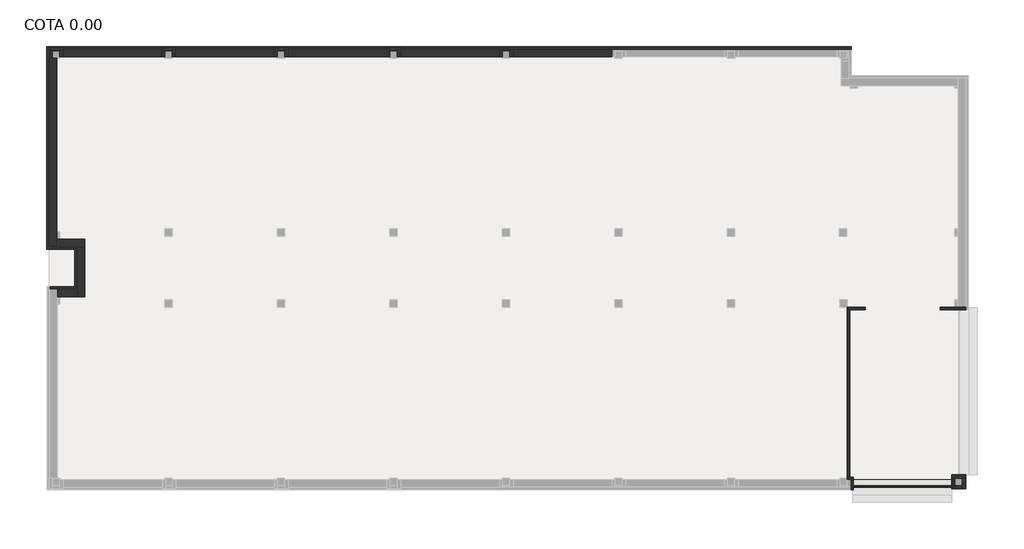
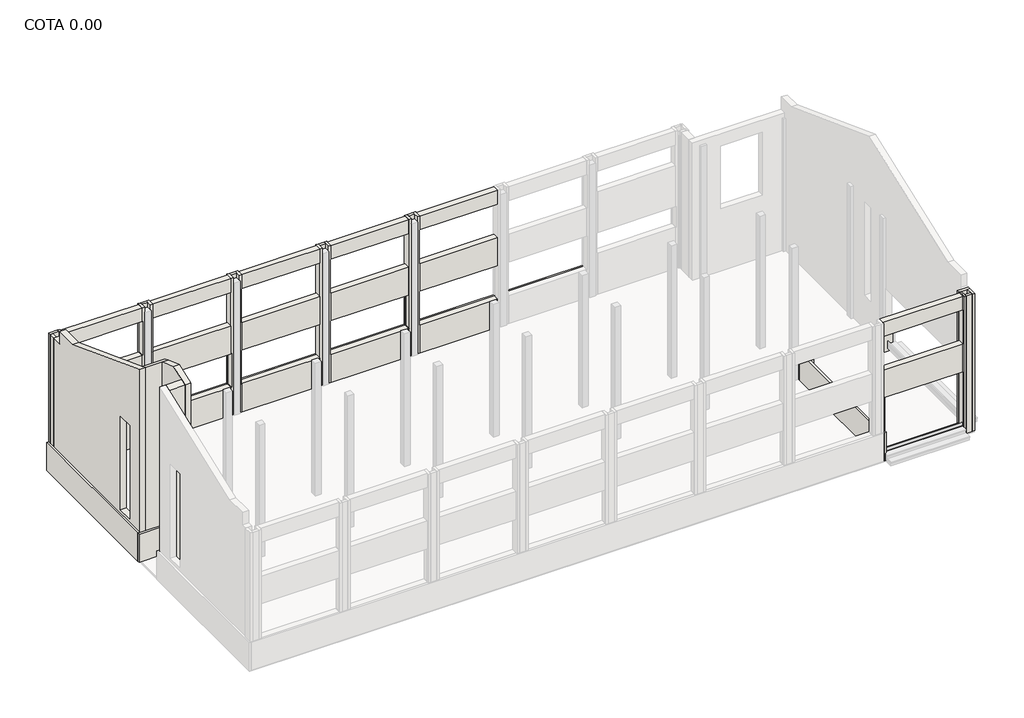
# One storey, part 2 of 3: 40 walls.
"""IFC4 building model written with IfcOpenShell, lengths in millimetres."""

from ifc_helpers import new_model, si_unit, frame, origin, origin_with_axes, place, context, project, spatial, polyline, outline, extrude, faceted_brep, element, save

model = new_model("IFC4")

# Units and contexts
model_context = context("Model", 3, world=origin())
ifc_project = project(units=[si_unit("LENGTHUNIT", "METRE", prefix="MILLI")], contexts=[model_context])

# Site, building, storey
site = spatial("IfcSite", under=ifc_project)
building = spatial("IfcBuilding", under=site)
storey = spatial("IfcBuildingStorey", under=building, Name="COTA 0.00", Elevation=0.0)

# Walls
placement = place(None, origin())
element("IfcWall", 1, at=placement, inside=storey, context=model_context, shape_type="Brep", body=[
    faceted_brep([(-20786.9563501, 1357.3124799, 0.0), (-19686.9563501, 1357.3124799, 0.0), (-19686.9563501, 1357.3124799, 1514.4), (-20786.9563501, 1357.3124799, 1514.4), (-20786.9563501, 1457.3124799, 0.0), (-20786.9563501, 1457.3124799, 1514.4), (-19786.9563501, 1457.3124799, 1514.4), (-19686.9563501, 1457.3124799, 1514.4), (-19686.9563501, 1457.3124799, 0.0), (-19786.9563501, 1457.3124799, 0.0)], [[[0, 1, 2, 3]], [[4, 5, 6, 7, 8, 9]], [[1, 0, 4, 9, 8]], [[3, 2, 7, 6, 5]], [[0, 3, 5, 4]], [[2, 1, 8, 7]]]),
])
element("IfcWall", 2, at=placement, inside=storey, context=model_context, shape_type="Brep", body=[
    faceted_brep([(-19686.9563501, 1457.3124799, 0.0), (-19686.9563501, 3057.3124799, 0.0), (-19686.9563501, 3057.3124799, 1514.4), (-19686.9563501, 1457.3124799, 1514.4), (-19786.9563501, 1457.3124799, 0.0), (-19786.9563501, 1457.3124799, 1514.4), (-19786.9563501, 2957.3124799, 1514.4), (-19786.9563501, 3057.3124799, 1514.4), (-19786.9563501, 3057.3124799, 0.0), (-19786.9563501, 2957.3124799, 0.0)], [[[0, 1, 2, 3]], [[4, 5, 6, 7, 8, 9]], [[1, 0, 4, 9, 8]], [[3, 2, 7, 6, 5]], [[0, 3, 5, 4]], [[2, 1, 8, 7]]]),
])
element("IfcWall", 3, at=placement, inside=storey, context=model_context, shape_type="Brep", body=[
    faceted_brep([(-19786.9563501, 3057.3124799, 0.0), (-20816.9563501, 3057.3124799, 0.0), (-20916.9563501, 3057.3124799, 0.0), (-20916.9563501, 3057.3124799, 1514.4), (-20816.9563501, 3057.3124799, 1514.4), (-19786.9563501, 3057.3124799, 1514.4), (-19786.9563501, 2957.3124799, 0.0), (-19786.9563501, 2957.3124799, 1514.4), (-20916.9563501, 2957.3124799, 1514.4), (-20916.9563501, 2957.3124799, 0.0)], [[[0, 1, 2, 3, 4, 5]], [[6, 7, 8, 9]], [[2, 1, 0, 6, 9]], [[5, 4, 3, 8, 7]], [[0, 5, 7, 6]], [[3, 2, 9, 8]]]),
])
element("IfcWall", 4, at=placement, inside=storey, context=model_context, shape_type="Brep", body=[
    faceted_brep([(-20816.9563501, 3057.3124799, 0.0), (-20816.9563501, 10967.3124799, 0.0), (-20816.9563501, 11067.3124799, 0.0), (-20816.9563501, 11067.3124799, 1514.4), (-20816.9563501, 10967.3124799, 1514.4), (-20816.9563501, 3057.3124799, 1514.4), (-20916.9563501, 3057.3124799, 0.0), (-20916.9563501, 3057.3124799, 1514.4), (-20916.9563501, 11067.3124799, 1514.4), (-20916.9563501, 11067.3124799, 0.0)], [[[0, 1, 2, 3, 4, 5]], [[6, 7, 8, 9]], [[2, 1, 0, 6, 9]], [[5, 4, 3, 8, 7]], [[0, 5, 7, 6]], [[3, 2, 9, 8]]]),
])
element("IfcWall", 5, at=placement, inside=storey, context=model_context, shape_type="Brep", body=[
    faceted_brep([(-20816.9563501, 10967.3124799, 0.0), (11173.0436499, 10967.3124799, 0.0), (11273.0436499, 10967.3124799, 0.0), (11273.0436499, 10967.3124799, 1514.4), (11173.0436499, 10967.3124799, 1514.4), (-20816.9563501, 10967.3124799, 1514.4), (-20816.9563501, 11067.3124799, 0.0), (-20816.9563501, 11067.3124799, 1514.4), (11273.0436499, 11067.3124799, 1514.4), (11273.0436499, 11067.3124799, 0.0)], [[[0, 1, 2, 3, 4, 5]], [[6, 7, 8, 9]], [[2, 1, 0, 6, 9]], [[5, 4, 3, 8, 7]], [[0, 5, 7, 6]], [[3, 2, 9, 8]]]),
])
element("IfcWall", 6, at=placement, inside=storey, context=model_context, shape_type="Brep", body=[
    faceted_brep([(15843.0436499, 631.0609981, 0.0), (15543.0436499, 631.0609981, 0.0), (14833.0436499, 631.0609981, 0.0), (14833.0436499, 631.0609981, 1514.4), (15843.0436499, 631.0609981, 1514.4), (15843.0436499, 531.0609981, 0.0), (15843.0436499, 531.0609981, 1514.4), (14833.0436499, 531.0609981, 1514.4), (14833.0436499, 531.0609981, 0.0)], [[[0, 1, 2, 3, 4]], [[5, 6, 7, 8]], [[2, 1, 0, 5, 8]], [[3, 2, 8, 7]], [[4, 3, 7, 6]], [[0, 4, 6, 5]]]),
])
element("IfcWall", 7, at=placement, inside=storey, context=model_context, shape_type="Brep", body=[
    faceted_brep([(11823.0436499, 631.0609981, 0.0), (11113.0436499, 631.0609981, 0.0), (11113.0436499, 631.0609981, 1514.4), (11823.0436499, 631.0609981, 1514.4), (11823.0436499, 531.0609981, 0.0), (11823.0436499, 531.0609981, 1514.4), (11213.0436499, 531.0609981, 1514.4), (11113.0436499, 531.0609981, 1514.4), (11113.0436499, 531.0609981, 0.0), (11213.0436499, 531.0609981, 0.0)], [[[0, 1, 2, 3]], [[4, 5, 6, 7, 8, 9]], [[1, 0, 4, 9, 8]], [[3, 2, 7, 6, 5]], [[0, 3, 5, 4]], [[2, 1, 8, 7]]]),
])
element("IfcWall", 8, at=placement, inside=storey, context=model_context, shape_type="SweptSolid", body=[
    extrude(outline(polyline([(11113.0436499, -6152.6875201), (11113.0436499, 531.0609981), (11213.0436499, 531.0609981), (11213.0436499, -6152.6875201), (11113.0436499, -6152.6875201)])), origin_with_axes(), (0.0, 0.0, 1.0), 1514.4),
])
element("IfcWall", 9, at=placement, inside=storey, context=model_context, shape_type="Brep", body=[
    faceted_brep([(11113.0436499, -6252.6875201, 0.0), (11248.0436499, -6252.6875201, 0.0), (11348.0436499, -6252.6875201, 0.0), (11348.0436499, -6252.6875201, 1514.4), (11248.0436499, -6252.6875201, 1514.4), (11113.0436499, -6252.6875201, 1514.4), (11113.0436499, -6152.6875201, 0.0), (11113.0436499, -6152.6875201, 1514.4), (11213.0436499, -6152.6875201, 1514.4), (11348.0436499, -6152.6875201, 1514.4), (11348.0436499, -6152.6875201, 0.0), (11213.0436499, -6152.6875201, 0.0)], [[[0, 1, 2, 3, 4, 5]], [[6, 7, 8, 9, 10, 11]], [[2, 1, 0, 6, 11, 10]], [[5, 4, 3, 9, 8, 7]], [[0, 5, 7, 6]], [[3, 2, 10, 9]]]),
])
element("IfcWall", 10, at=placement, inside=storey, context=model_context, shape_type="Brep", body=[
    faceted_brep([(11248.0436499, -6252.6875201, 0.0), (11248.0436499, -6552.6875201, 0.0), (11248.0436499, -6652.6875201, 0.0), (11248.0436499, -6652.6875201, 1514.4), (11248.0436499, -6552.6875201, 1514.4), (11248.0436499, -6252.6875201, 1514.4), (11248.0436499, -6252.6875201, 400.0), (11348.0436499, -6252.6875201, 0.0), (11348.0436499, -6252.6875201, 1514.4), (11348.0436499, -6552.6875201, 1514.4), (11348.0436499, -6652.6875201, 1514.4), (11348.0436499, -6652.6875201, 0.0)], [[[0, 1, 2, 3, 4, 5, 6]], [[7, 8, 9, 10, 11]], [[2, 1, 0, 7, 11]], [[5, 4, 3, 10, 9, 8]], [[0, 6, 5, 8, 7]], [[3, 2, 11, 10]]]),
])
element("IfcWall", 11, ObjectType="MEX_13 cm", at=placement, inside=storey, context=model_context, shape_type="SweptSolid", body=[
    extrude(outline(polyline([(-20686.9563501, 10907.3124799), (-20686.9563501, 10607.3124799), (-20816.9563501, 10607.3124799), (-20816.9563501, 10907.3124799), (-20686.9563501, 10907.3124799)])), origin_with_axes(), (0.0, 0.0, 1.0), 7350.0),
])
element("IfcWall", 12, ObjectType="MEX_13 cm", at=placement, inside=storey, context=model_context, shape_type="Brep", body=[
    faceted_brep([(-20816.9563501, 10907.3124799, 0.0), (-20686.9563501, 10907.3124799, 0.0), (-20386.9563501, 10907.3124799, 0.0), (-20386.9563501, 10907.3124799, 7350.0), (-20686.9563501, 10907.3124799, 7350.0), (-20816.9563501, 10907.3124799, 7350.0), (-20816.9563501, 11037.3124799, 0.0), (-20816.9563501, 11037.3124799, 7350.0), (-20386.9563501, 11037.3124799, 7350.0), (-20386.9563501, 11037.3124799, 0.0)], [[[0, 1, 2, 3, 4, 5]], [[6, 7, 8, 9]], [[2, 1, 0, 6, 9]], [[5, 4, 3, 8, 7]], [[0, 5, 7, 6]], [[2, 9, 8, 3]]]),
])
element("IfcWall", 13, ObjectType="MEX_13 cm", at=placement, inside=storey, context=model_context, shape_type="Brep", body=[
    faceted_brep([(-11686.9563501, 10667.3124799, 0.0), (-11686.9563501, 10907.3124799, 0.0), (-11686.9563501, 11037.3124799, 0.0), (-11686.9563501, 11037.3124799, 7350.0), (-11686.9563501, 10907.3124799, 7350.0), (-11686.9563501, 10667.3124799, 7350.0), (-11816.9563501, 11037.3124799, 0.0), (-11816.9563501, 10967.3124799, 0.0), (-11816.9563501, 10667.3124799, 0.0), (-11816.9563501, 10667.3124799, 1514.4), (-11816.9563501, 10967.3124799, 1514.4), (-11816.9563501, 10967.3124799, 3304.4), (-11816.9563501, 10967.3124799, 3314.4), (-11816.9563501, 10667.3124799, 3314.4), (-11816.9563501, 10667.3124799, 4804.4), (-11816.9563501, 10667.3124799, 6604.4), (-11816.9563501, 10667.3124799, 7350.0), (-11816.9563501, 10967.3124799, 7350.0), (-11816.9563501, 11037.3124799, 7350.0), (-11781.9563501, 10667.3124799, 3314.4), (-11781.9563501, 10667.3124799, 1514.4), (-11781.9563501, 10967.3124799, 1514.4), (-11781.9563501, 10967.3124799, 3314.4)], [[[0, 1, 2, 3, 4, 5]], [[6, 7, 8, 9, 10, 11, 12, 13, 14, 15, 16, 17, 18]], [[2, 1, 0, 8, 7, 6]], [[5, 4, 3, 18, 17, 16]], [[0, 5, 16, 15, 14, 13, 19, 20, 9, 8]], [[21, 22, 12, 11, 10]], [[22, 19, 13, 12]], [[22, 21, 20, 19]], [[20, 21, 10, 9]], [[2, 6, 18, 3]]]),
])
element("IfcWall", 14, ObjectType="MEX_13 cm", at=placement, inside=storey, context=model_context, shape_type="SweptSolid", body=[
    extrude(outline(polyline([(-11386.9563501, 10907.3124799), (-11686.9563501, 10907.3124799), (-11686.9563501, 11037.3124799), (-11386.9563501, 11037.3124799), (-11386.9563501, 10907.3124799)])), origin_with_axes(), (0.0, 0.0, 1.0), 7350.0),
])
element("IfcWall", 15, ObjectType="MEX_13 cm", at=placement, inside=storey, context=model_context, shape_type="Brep", body=[
    faceted_brep([(-11386.9563501, 11037.3124799, 0.0), (-11386.9563501, 10907.3124799, 0.0), (-11386.9563501, 10667.3124799, 0.0), (-11386.9563501, 10667.3124799, 7350.0), (-11386.9563501, 10907.3124799, 7350.0), (-11386.9563501, 11037.3124799, 7350.0), (-11256.9563501, 10667.3124799, 0.0), (-11256.9563501, 10967.3124799, 0.0), (-11256.9563501, 11037.3124799, 0.0), (-11256.9563501, 11037.3124799, 7350.0), (-11256.9563501, 10967.3124799, 7350.0), (-11256.9563501, 10667.3124799, 7350.0), (-11256.9563501, 10667.3124799, 6604.4), (-11256.9563501, 10967.3124799, 6604.4), (-11256.9563501, 10967.3124799, 4804.4), (-11256.9563501, 10667.3124799, 4804.4), (-11256.9563501, 10667.3124799, 3314.4), (-11256.9563501, 10967.3124799, 3314.4), (-11256.9563501, 10967.3124799, 3304.4), (-11256.9563501, 10967.3124799, 1514.4), (-11256.9563501, 10667.3124799, 1514.4), (-11281.9563501, 10667.3124799, 1514.4), (-11281.9563501, 10667.3124799, 3314.4), (-11281.9563501, 10667.3124799, 4804.4), (-11281.9563501, 10667.3124799, 6604.4), (-11281.9563501, 10967.3124799, 3314.4), (-11281.9563501, 10967.3124799, 1514.4), (-11281.9563501, 10967.3124799, 6604.4), (-11281.9563501, 10967.3124799, 4804.4)], [[[0, 1, 2, 3, 4, 5]], [[6, 7, 8, 9, 10, 11, 12, 13, 14, 15, 16, 17, 18, 19, 20]], [[2, 1, 0, 8, 7, 6]], [[5, 4, 3, 11, 10, 9]], [[3, 2, 6, 20, 21, 22, 16, 15, 23, 24, 12, 11]], [[25, 26, 19, 18, 17]], [[26, 25, 22, 21]], [[22, 25, 17, 16]], [[26, 21, 20, 19]], [[27, 28, 14, 13]], [[28, 27, 24, 23]], [[24, 27, 13, 12]], [[28, 23, 15, 14]], [[5, 9, 8, 0]]]),
])
element("IfcWall", 16, ObjectType="MEX_13 cm", at=placement, inside=storey, context=model_context, shape_type="Brep", body=[
    faceted_brep([(-7186.9563501, 10667.3124799, 0.0), (-7186.9563501, 10907.3124799, 0.0), (-7186.9563501, 11037.3124799, 0.0), (-7186.9563501, 11037.3124799, 7350.0), (-7186.9563501, 10907.3124799, 7350.0), (-7186.9563501, 10667.3124799, 7350.0), (-7316.9563501, 10667.3124799, 0.0), (-7316.9563501, 10667.3124799, 1514.4), (-7316.9563501, 10667.3124799, 3314.4), (-7316.9563501, 10667.3124799, 4804.4), (-7316.9563501, 10667.3124799, 6604.4), (-7316.9563501, 10667.3124799, 7350.0), (-7316.9563501, 10967.3124799, 7350.0), (-7316.9563501, 11037.3124799, 7350.0), (-7316.9563501, 11037.3124799, 0.0), (-7316.9563501, 10967.3124799, 0.0)], [[[0, 1, 2, 3, 4, 5]], [[6, 7, 8, 9, 10, 11, 12, 13, 14, 15]], [[2, 1, 0, 6, 15, 14]], [[5, 4, 3, 13, 12, 11]], [[0, 5, 11, 10, 9, 8, 7, 6]], [[2, 14, 13, 3]]]),
])
element("IfcWall", 17, ObjectType="MEX_13 cm", at=placement, inside=storey, context=model_context, shape_type="SweptSolid", body=[
    extrude(outline(polyline([(-6886.9563501, 10907.3124799), (-7186.9563501, 10907.3124799), (-7186.9563501, 11037.3124799), (-6886.9563501, 11037.3124799), (-6886.9563501, 10907.3124799)])), origin_with_axes(), (0.0, 0.0, 1.0), 7350.0),
])
element("IfcWall", 18, ObjectType="MEX_13 cm", at=placement, inside=storey, context=model_context, shape_type="Brep", body=[
    faceted_brep([(-6886.9563501, 11037.3124799, 0.0), (-6886.9563501, 10907.3124799, 0.0), (-6886.9563501, 10667.3124799, 0.0), (-6886.9563501, 10667.3124799, 7350.0), (-6886.9563501, 10907.3124799, 7350.0), (-6886.9563501, 11037.3124799, 7350.0), (-6756.9563501, 10667.3124799, 0.0), (-6756.9563501, 10967.3124799, 0.0), (-6756.9563501, 11037.3124799, 0.0), (-6756.9563501, 11037.3124799, 7350.0), (-6756.9563501, 10967.3124799, 7350.0), (-6756.9563501, 10667.3124799, 7350.0), (-6756.9563501, 10667.3124799, 6604.4), (-6756.9563501, 10967.3124799, 6604.4), (-6756.9563501, 10967.3124799, 4804.4), (-6756.9563501, 10667.3124799, 4804.4), (-6756.9563501, 10667.3124799, 3314.4), (-6756.9563501, 10967.3124799, 3314.4), (-6756.9563501, 10967.3124799, 3304.4), (-6756.9563501, 10967.3124799, 1514.4), (-6756.9563501, 10667.3124799, 1514.4), (-6786.9563501, 10667.3124799, 1514.4), (-6786.9563501, 10667.3124799, 3314.4), (-6786.9563501, 10667.3124799, 4804.4), (-6786.9563501, 10667.3124799, 6604.4), (-6786.9563501, 10967.3124799, 3314.4), (-6786.9563501, 10967.3124799, 1514.4), (-6786.9563501, 10967.3124799, 6604.4), (-6786.9563501, 10967.3124799, 4804.4)], [[[0, 1, 2, 3, 4, 5]], [[6, 7, 8, 9, 10, 11, 12, 13, 14, 15, 16, 17, 18, 19, 20]], [[2, 1, 0, 8, 7, 6]], [[5, 4, 3, 11, 10, 9]], [[3, 2, 6, 20, 21, 22, 16, 15, 23, 24, 12, 11]], [[25, 26, 19, 18, 17]], [[26, 25, 22, 21]], [[22, 25, 17, 16]], [[26, 21, 20, 19]], [[27, 28, 14, 13]], [[28, 27, 24, 23]], [[24, 27, 13, 12]], [[28, 23, 15, 14]], [[5, 9, 8, 0]]]),
])
element("IfcWall", 19, ObjectType="MEX_13 cm", at=placement, inside=storey, context=model_context, shape_type="Brep", body=[
    faceted_brep([(-2686.9563501, 10667.3124799, 0.0), (-2686.9563501, 10907.3124799, 0.0), (-2686.9563501, 11037.3124799, 0.0), (-2686.9563501, 11037.3124799, 7350.0), (-2686.9563501, 10907.3124799, 7350.0), (-2686.9563501, 10667.3124799, 7350.0), (-2816.9563501, 11037.3124799, 0.0), (-2816.9563501, 10967.3124799, 0.0), (-2816.9563501, 10667.3124799, 0.0), (-2816.9563501, 10667.3124799, 1514.4), (-2816.9563501, 10967.3124799, 1514.4), (-2816.9563501, 10967.3124799, 3304.4), (-2816.9563501, 10967.3124799, 3314.4), (-2816.9563501, 10667.3124799, 3314.4), (-2816.9563501, 10667.3124799, 4804.4), (-2816.9563501, 10667.3124799, 6604.4), (-2816.9563501, 10667.3124799, 7350.0), (-2816.9563501, 10967.3124799, 7350.0), (-2816.9563501, 11037.3124799, 7350.0), (-2786.9563501, 10667.3124799, 3314.4), (-2786.9563501, 10667.3124799, 1514.4), (-2786.9563501, 10967.3124799, 1514.4), (-2786.9563501, 10967.3124799, 3314.4)], [[[0, 1, 2, 3, 4, 5]], [[6, 7, 8, 9, 10, 11, 12, 13, 14, 15, 16, 17, 18]], [[2, 1, 0, 8, 7, 6]], [[5, 4, 3, 18, 17, 16]], [[0, 5, 16, 15, 14, 13, 19, 20, 9, 8]], [[21, 22, 12, 11, 10]], [[22, 19, 13, 12]], [[22, 21, 20, 19]], [[20, 21, 10, 9]], [[2, 6, 18, 3]]]),
])
element("IfcWall", 20, ObjectType="MEX_13 cm", at=placement, inside=storey, context=model_context, shape_type="SweptSolid", body=[
    extrude(outline(polyline([(-2386.9563501, 10907.3124799), (-2686.9563501, 10907.3124799), (-2686.9563501, 11037.3124799), (-2386.9563501, 11037.3124799), (-2386.9563501, 10907.3124799)])), origin_with_axes(), (0.0, 0.0, 1.0), 7350.0),
])
element("IfcWall", 21, ObjectType="MEX_13 cm", at=placement, inside=storey, context=model_context, shape_type="Brep", body=[
    faceted_brep([(-2386.9563501, 11037.3124799, 0.0), (-2386.9563501, 10907.3124799, 0.0), (-2386.9563501, 10667.3124799, 0.0), (-2386.9563501, 10667.3124799, 7350.0), (-2386.9563501, 10907.3124799, 7350.0), (-2386.9563501, 11037.3124799, 7350.0), (-2256.9563501, 10667.3124799, 0.0), (-2256.9563501, 10967.3124799, 0.0), (-2256.9563501, 11037.3124799, 0.0), (-2256.9563501, 11037.3124799, 7350.0), (-2256.9563501, 10967.3124799, 7350.0), (-2256.9563501, 10667.3124799, 7350.0), (-2256.9563501, 10667.3124799, 6604.4), (-2256.9563501, 10967.3124799, 6604.4), (-2256.9563501, 10967.3124799, 4804.4), (-2256.9563501, 10667.3124799, 4804.4), (-2256.9563501, 10667.3124799, 3314.4), (-2256.9563501, 10967.3124799, 3314.4), (-2256.9563501, 10967.3124799, 3304.4), (-2256.9563501, 10967.3124799, 1514.4), (-2256.9563501, 10667.3124799, 1514.4), (-2286.9563501, 10667.3124799, 1514.4), (-2286.9563501, 10667.3124799, 3314.4), (-2286.9563501, 10667.3124799, 4804.4), (-2286.9563501, 10667.3124799, 6604.4), (-2286.9563501, 10967.3124799, 3314.4), (-2286.9563501, 10967.3124799, 1514.4), (-2286.9563501, 10967.3124799, 6604.4), (-2286.9563501, 10967.3124799, 4804.4)], [[[0, 1, 2, 3, 4, 5]], [[6, 7, 8, 9, 10, 11, 12, 13, 14, 15, 16, 17, 18, 19, 20]], [[2, 1, 0, 8, 7, 6]], [[5, 4, 3, 11, 10, 9]], [[3, 2, 6, 20, 21, 22, 16, 15, 23, 24, 12, 11]], [[25, 26, 19, 18, 17]], [[22, 25, 17, 16]], [[26, 25, 22, 21]], [[26, 21, 20, 19]], [[27, 28, 14, 13]], [[28, 27, 24, 23]], [[24, 27, 13, 12]], [[28, 23, 15, 14]], [[5, 9, 8, 0]]]),
])
element("IfcWall", 22, ObjectType="MEX_13 cm", at=placement, inside=storey, context=model_context, shape_type="Brep", body=[
    faceted_brep([(15283.0436499, -6192.6875201, 0.0), (15283.0436499, -6622.6875201, 0.0), (15283.0436499, -6622.6875201, 7350.0), (15283.0436499, -6192.6875201, 7350.0), (15413.0436499, -6192.6875201, 0.0), (15413.0436499, -6192.6875201, 7350.0), (15413.0436499, -6492.6875201, 7350.0), (15413.0436499, -6622.6875201, 7350.0), (15413.0436499, -6622.6875201, 0.0), (15413.0436499, -6492.6875201, 0.0)], [[[0, 1, 2, 3]], [[4, 5, 6, 7, 8, 9]], [[1, 0, 4, 9, 8]], [[3, 2, 7, 6, 5]], [[2, 1, 8, 7]], [[0, 3, 5, 4]]]),
])
element("IfcWall", 23, ObjectType="MEX_13 cm", at=placement, inside=storey, context=model_context, shape_type="SweptSolid", body=[
    extrude(outline(polyline([(15713.0436499, -6622.6875201), (15413.0436499, -6622.6875201), (15413.0436499, -6492.6875201), (15713.0436499, -6492.6875201), (15713.0436499, -6622.6875201)])), origin_with_axes(), (0.0, 0.0, 1.0), 7350.0),
])
element("IfcWall", 24, ObjectType="MEX_13 cm", at=placement, inside=storey, context=model_context, shape_type="Brep", body=[
    faceted_brep([(15843.0436499, -6622.6875201, 0.0), (15843.0436499, -6192.6875201, 0.0), (15843.0436499, -6192.6875201, 7350.0), (15843.0436499, -6622.6875201, 7350.0), (15713.0436499, -6622.6875201, 0.0), (15713.0436499, -6622.6875201, 7350.0), (15713.0436499, -6492.6875201, 7350.0), (15713.0436499, -6192.6875201, 7350.0), (15713.0436499, -6192.6875201, 0.0), (15713.0436499, -6492.6875201, 0.0)], [[[0, 1, 2, 3]], [[4, 5, 6, 7, 8, 9]], [[1, 0, 4, 9, 8]], [[3, 2, 7, 6, 5]], [[0, 3, 5, 4]], [[2, 1, 8, 7]]]),
])
element("IfcWall", 25, ObjectType="MEX_13 cm", at=placement, inside=storey, context=model_context, shape_type="Brep", body=[
    faceted_brep([(15843.0436499, -6062.6875201, 0.0), (15543.0436499, -6062.6875201, 0.0), (15283.0436499, -6062.6875201, 0.0), (15283.0436499, -6062.6875201, 7350.0), (15543.0436499, -6062.6875201, 7350.0), (15843.0436499, -6062.6875201, 7350.0), (15843.0436499, -6192.6875201, 0.0), (15843.0436499, -6192.6875201, 7350.0), (15713.0436499, -6192.6875201, 7350.0), (15413.0436499, -6192.6875201, 7350.0), (15283.0436499, -6192.6875201, 7350.0), (15283.0436499, -6192.6875201, 0.0), (15413.0436499, -6192.6875201, 0.0), (15713.0436499, -6192.6875201, 0.0)], [[[0, 1, 2, 3, 4, 5]], [[6, 7, 8, 9, 10, 11, 12, 13]], [[2, 1, 0, 6, 13, 12, 11]], [[5, 4, 3, 10, 9, 8, 7]], [[0, 5, 7, 6]], [[3, 2, 11, 10]]]),
])
element("IfcWall", 26, ObjectType="MEX_13 cm", at=placement, inside=storey, context=model_context, shape_type="Brep", body=[
    faceted_brep([(-20386.9563501, 11037.3124799, 7350.0), (-20386.9563501, 11037.3124799, 0.0), (-20386.9563501, 10907.3124799, 0.0), (-20386.9563501, 10667.3124799, 0.0), (-20386.9563501, 10667.3124799, 7350.0), (-20386.9563501, 10907.3124799, 7350.0), (-20256.9563501, 11037.3124799, 0.0), (-20256.9563501, 11037.3124799, 7350.0), (-20256.9563501, 10967.3124799, 7350.0), (-20256.9563501, 10667.3124799, 7350.0), (-20256.9563501, 10667.3124799, 6604.4), (-20256.9563501, 10667.3124799, 4804.4), (-20256.9563501, 10667.3124799, 3314.4), (-20256.9563501, 10667.3124799, 1514.4), (-20256.9563501, 10667.3124799, 0.0), (-20256.9563501, 10967.3124799, 0.0)], [[[0, 1, 2, 3, 4, 5]], [[6, 7, 8, 9, 10, 11, 12, 13, 14, 15]], [[3, 2, 1, 6, 15, 14]], [[0, 5, 4, 9, 8, 7]], [[4, 3, 14, 13, 12, 11, 10, 9]], [[0, 7, 6, 1]]]),
])
element("IfcWall", 27, ObjectType="MEX_13 cm", at=placement, inside=storey, context=model_context, shape_type="SweptSolid", body=[
    extrude(outline(polyline([(-15891.9563501, 10907.3124799), (-16186.9563501, 10907.3124799), (-16186.9563501, 11037.3124799), (-15891.9563501, 11037.3124799), (-15891.9563501, 10907.3124799)])), origin_with_axes(), (0.0, 0.0, 1.0), 7350.0),
])
element("IfcWall", 28, ObjectType="MEX_13 cm", at=placement, inside=storey, context=model_context, shape_type="Brep", body=[
    faceted_brep([(-15891.9563501, 11037.3124799, 0.0), (-15891.9563501, 10907.3124799, 0.0), (-15891.9563501, 10667.3124799, 0.0), (-15891.9563501, 10667.3124799, 7350.0), (-15891.9563501, 10907.3124799, 7350.0), (-15891.9563501, 11037.3124799, 7350.0), (-15761.9563501, 10667.3124799, 0.0), (-15761.9563501, 10967.3124799, 0.0), (-15761.9563501, 11037.3124799, 0.0), (-15761.9563501, 11037.3124799, 7350.0), (-15761.9563501, 10967.3124799, 7350.0), (-15761.9563501, 10667.3124799, 7350.0), (-15761.9563501, 10667.3124799, 6604.4), (-15761.9563501, 10967.3124799, 6604.4), (-15761.9563501, 10967.3124799, 4804.4), (-15761.9563501, 10667.3124799, 4804.4), (-15761.9563501, 10667.3124799, 3314.4), (-15761.9563501, 10967.3124799, 3314.4), (-15761.9563501, 10967.3124799, 3304.4), (-15761.9563501, 10967.3124799, 1514.4), (-15761.9563501, 10667.3124799, 1514.4), (-15781.9563501, 10967.3124799, 1514.4), (-15781.9563501, 10967.3124799, 3314.4), (-15781.9563501, 10667.3124799, 3314.4), (-15781.9563501, 10667.3124799, 1514.4), (-15781.9563501, 10967.3124799, 4804.4), (-15781.9563501, 10967.3124799, 6604.4), (-15781.9563501, 10667.3124799, 6604.4), (-15781.9563501, 10667.3124799, 4804.4)], [[[0, 1, 2, 3, 4, 5]], [[6, 7, 8, 9, 10, 11, 12, 13, 14, 15, 16, 17, 18, 19, 20]], [[2, 1, 0, 8, 7, 6]], [[5, 4, 3, 11, 10, 9]], [[21, 22, 23, 24]], [[23, 22, 17, 16]], [[21, 24, 20, 19]], [[25, 26, 27, 28]], [[27, 26, 13, 12]], [[25, 28, 15, 14]], [[3, 2, 6, 20, 24, 23, 16, 15, 28, 27, 12, 11]], [[5, 9, 8, 0]], [[22, 21, 19, 18, 17]], [[26, 25, 14, 13]]]),
])
element("IfcWall", 29, ObjectType="MEX_13 cm", at=placement, inside=storey, context=model_context, shape_type="Brep", body=[
    faceted_brep([(-16316.9563501, 11037.3124799, 0.0), (-16316.9563501, 10967.3124799, 0.0), (-16316.9563501, 10667.3124799, 0.0), (-16316.9563501, 10667.3124799, 1514.4), (-16316.9563501, 10967.3124799, 1514.4), (-16316.9563501, 10967.3124799, 3304.4), (-16316.9563501, 10967.3124799, 3314.4), (-16316.9563501, 10667.3124799, 3314.4), (-16316.9563501, 10667.3124799, 4804.4), (-16316.9563501, 10967.3124799, 4804.4), (-16316.9563501, 10967.3124799, 6604.4), (-16316.9563501, 10667.3124799, 6604.4), (-16316.9563501, 10667.3124799, 7350.0), (-16316.9563501, 10967.3124799, 7350.0), (-16316.9563501, 11037.3124799, 7350.0), (-16186.9563501, 10667.3124799, 0.0), (-16186.9563501, 10907.3124799, 0.0), (-16186.9563501, 11037.3124799, 0.0), (-16186.9563501, 11037.3124799, 7350.0), (-16186.9563501, 10907.3124799, 7350.0), (-16186.9563501, 10667.3124799, 7350.0), (-16286.9563501, 10667.3124799, 6604.4), (-16286.9563501, 10667.3124799, 4804.4), (-16286.9563501, 10667.3124799, 3314.4), (-16286.9563501, 10667.3124799, 1514.4), (-16286.9563501, 10967.3124799, 3314.4), (-16286.9563501, 10967.3124799, 1514.4), (-16286.9563501, 10967.3124799, 6604.4), (-16286.9563501, 10967.3124799, 4804.4)], [[[0, 1, 2, 3, 4, 5, 6, 7, 8, 9, 10, 11, 12, 13, 14]], [[15, 16, 17, 18, 19, 20]], [[2, 1, 0, 17, 16, 15]], [[14, 13, 12, 20, 19, 18]], [[2, 15, 20, 12, 11, 21, 22, 8, 7, 23, 24, 3]], [[25, 23, 7, 6]], [[23, 25, 26, 24]], [[24, 26, 4, 3]], [[27, 21, 11, 10]], [[27, 28, 22, 21]], [[22, 28, 9, 8]], [[26, 25, 6, 5, 4]], [[28, 27, 10, 9]], [[14, 18, 17, 0]]]),
])
element("IfcWall", 30, ObjectType="MEX_13 cm", at=placement, inside=storey, context=model_context, shape_type="SweptSolid", body=[
    extrude(outline(polyline([(11333.0436499, -6252.6875201), (11333.0436499, -6552.6875201), (11203.0436499, -6552.6875201), (11203.0436499, -6252.6875201), (11333.0436499, -6252.6875201)])), origin_with_axes(), (0.0, 0.0, 1.0), 3300.0),
])
element("IfcWall", 31, ObjectType="MEX_30 cm", at=placement, inside=storey, context=model_context, shape_type="SweptSolid", body=[
    extrude(outline(polyline([(-2256.9563501, 10967.3124799), (1683.0436499, 10967.3124799), (1683.0436499, 10667.3124799), (-2256.9563501, 10667.3124799), (-2256.9563501, 10967.3124799)])), origin_with_axes(), (0.0, 0.0, 1.0), 1514.4),
    extrude(outline(polyline([(1683.0436499, 10967.3124799), (1683.0436499, 10667.3124799), (-2256.9563501, 10667.3124799), (-2256.9563501, 10967.3124799), (1683.0436499, 10967.3124799)])), frame((0.0, 0.0, 6604.4), z_axis=(0.0, 0.0, 1.0), x_axis=(1.0, 0.0, 0.0)), (0.0, 0.0, 1.0), 745.6),
    extrude(outline(polyline([(-2256.9563501, 10667.3124799), (-2256.9563501, 10967.3124799), (1683.0436499, 10967.3124799), (1683.0436499, 10667.3124799), (-2256.9563501, 10667.3124799)])), frame((0.0, 0.0, 3314.4), z_axis=(0.0, 0.0, 1.0), x_axis=(1.0, 0.0, 0.0)), (0.0, 0.0, 1.0), 1490.0),
])
element("IfcWall", 32, ObjectType="MEX_30 cm", at=placement, inside=storey, context=model_context, shape_type="SweptSolid", body=[
    extrude(outline(polyline([(-6756.9563501, 10967.3124799), (-2816.9563501, 10967.3124799), (-2816.9563501, 10667.3124799), (-6756.9563501, 10667.3124799), (-6756.9563501, 10967.3124799)])), origin_with_axes(), (0.0, 0.0, 1.0), 1514.4),
    extrude(outline(polyline([(-2816.9563501, 10967.3124799), (-2816.9563501, 10667.3124799), (-6756.9563501, 10667.3124799), (-6756.9563501, 10967.3124799), (-2816.9563501, 10967.3124799)])), frame((0.0, 0.0, 6604.4), z_axis=(0.0, 0.0, 1.0), x_axis=(1.0, 0.0, 0.0)), (0.0, 0.0, 1.0), 745.6),
    extrude(outline(polyline([(-6756.9563501, 10667.3124799), (-6756.9563501, 10967.3124799), (-2816.9563501, 10967.3124799), (-2816.9563501, 10667.3124799), (-6756.9563501, 10667.3124799)])), frame((0.0, 0.0, 3314.4), z_axis=(0.0, 0.0, 1.0), x_axis=(1.0, 0.0, 0.0)), (0.0, 0.0, 1.0), 1490.0),
])
element("IfcWall", 33, ObjectType="MEX_30 cm", at=placement, inside=storey, context=model_context, shape_type="SweptSolid", body=[
    extrude(outline(polyline([(-11256.9563501, 10967.3124799), (-7316.9563501, 10967.3124799), (-7316.9563501, 10667.3124799), (-11256.9563501, 10667.3124799), (-11256.9563501, 10967.3124799)])), origin_with_axes(), (0.0, 0.0, 1.0), 1514.4),
    extrude(outline(polyline([(-7316.9563501, 10967.3124799), (-7316.9563501, 10667.3124799), (-11256.9563501, 10667.3124799), (-11256.9563501, 10967.3124799), (-7316.9563501, 10967.3124799)])), frame((0.0, 0.0, 6604.4), z_axis=(0.0, 0.0, 1.0), x_axis=(1.0, 0.0, 0.0)), (0.0, 0.0, 1.0), 745.6),
    extrude(outline(polyline([(-11256.9563501, 10667.3124799), (-11256.9563501, 10967.3124799), (-7316.9563501, 10967.3124799), (-7316.9563501, 10667.3124799), (-11256.9563501, 10667.3124799)])), frame((0.0, 0.0, 3314.4), z_axis=(0.0, 0.0, 1.0), x_axis=(1.0, 0.0, 0.0)), (0.0, 0.0, 1.0), 1490.0),
])
element("IfcWall", 34, ObjectType="MEX_30 cm", at=placement, inside=storey, context=model_context, shape_type="SweptSolid", body=[
    extrude(outline(polyline([(-15761.9563501, 10967.3124799), (-11816.9563501, 10967.3124799), (-11816.9563501, 10667.3124799), (-15761.9563501, 10667.3124799), (-15761.9563501, 10967.3124799)])), origin_with_axes(), (0.0, 0.0, 1.0), 1514.4),
    extrude(outline(polyline([(-11816.9563501, 10967.3124799), (-11816.9563501, 10667.3124799), (-15761.9563501, 10667.3124799), (-15761.9563501, 10967.3124799), (-11816.9563501, 10967.3124799)])), frame((0.0, 0.0, 6604.4), z_axis=(0.0, 0.0, 1.0), x_axis=(1.0, 0.0, 0.0)), (0.0, 0.0, 1.0), 745.6),
    extrude(outline(polyline([(-11816.9563501, 10967.3124799), (-11816.9563501, 10667.3124799), (-15761.9563501, 10667.3124799), (-15761.9563501, 10967.3124799), (-11816.9563501, 10967.3124799)])), frame((0.0, 0.0, 3314.4), z_axis=(0.0, 0.0, 1.0), x_axis=(1.0, 0.0, 0.0)), (0.0, 0.0, 1.0), 1490.0),
])
element("IfcWall", 35, ObjectType="MEX_30 cm", at=placement, inside=storey, context=model_context, shape_type="SweptSolid", body=[
    extrude(outline(polyline([(0.0, 11243.0436499), (0.0, 15348.0436499), (7350.0, 15348.0436499), (7350.0, 11243.0436499), (0.0, 11243.0436499)]), holes=[polyline([(3304.4, 11348.0436499), (3304.4, 15283.0436499), (400.0, 15283.0436499), (400.0, 11248.0436499), (1514.4, 11248.0436499), (1514.4, 11348.0436499), (3304.4, 11348.0436499)]), polyline([(6604.4, 11283.0436499), (6604.4, 15283.0436499), (4804.4, 15283.0436499), (4804.4, 11283.0436499), (6604.4, 11283.0436499)])]), frame((0.0, -6552.6875201, 0.0), z_axis=(0.0, 1.0, 0.0), x_axis=(0.0, 0.0, 1.0)), (0.0, 0.0, 1.0), 300.0),
])
element("IfcWall", 36, ObjectType="MEX_30 cm", at=placement, inside=storey, context=model_context, shape_type="Brep", body=[
    faceted_brep([(-20816.9563501, 10607.3124799, 0.0), (-20816.9563501, 3057.3124799, 0.0), (-20816.9563501, 3057.3124799, 10235.2909885), (-20816.9563501, 8939.0346716, 8012.0), (-20816.9563501, 10070.3124799, 8012.0), (-20816.9563501, 10070.3124799, 7350.0), (-20816.9563501, 10607.3124799, 7350.0), (-20816.9563501, 3957.3124799, 1700.0), (-20816.9563501, 4757.3124799, 1700.0), (-20816.9563501, 4757.3124799, 6690.0), (-20816.9563501, 3957.3124799, 6690.0), (-20516.9563501, 3057.3124799, 0.0), (-20516.9563501, 3357.3124799, 0.0), (-20516.9563501, 10607.3124799, 0.0), (-20516.9563501, 10607.3124799, 7350.0), (-20516.9563501, 10070.3124799, 7350.0), (-20516.9563501, 10070.3124799, 8012.0), (-20516.9563501, 9770.3124799, 8012.0), (-20516.9563501, 8939.0346716, 8012.0), (-20516.9563501, 3357.3124799, 10121.8909885), (-20516.9563501, 3057.3124799, 10235.2909885), (-20516.9563501, 4757.3124799, 1700.0), (-20516.9563501, 3957.3124799, 1700.0), (-20516.9563501, 3957.3124799, 6690.0), (-20516.9563501, 4757.3124799, 6690.0), (-20686.9563501, 10607.3124799, 0.0), (-20686.9563501, 10607.3124799, 7350.0)], [[[0, 1, 2, 3, 4, 5, 6], [7, 8, 9, 10]], [[11, 12, 13, 14, 15, 16, 17, 18, 19, 20], [21, 22, 23, 24]], [[1, 0, 25, 13, 12, 11]], [[0, 6, 26, 14, 13, 25]], [[2, 1, 11, 20]], [[6, 5, 15, 14, 26]], [[15, 5, 4, 16]], [[4, 3, 18, 17, 16]], [[3, 2, 20, 19, 18]], [[7, 22, 21, 8]], [[24, 9, 8, 21]], [[10, 23, 22, 7]], [[9, 24, 23, 10]]]),
])
element("IfcWall", 37, ObjectType="MEX_30 cm", at=placement, inside=storey, context=model_context, shape_type="Brep", body=[
    faceted_brep([(-20516.9563501, 3057.3124799, 0.0), (-19686.9563501, 3057.3124799, 0.0), (-19386.9563501, 3057.3124799, 0.0), (-19386.9563501, 3057.3124799, 10235.2909885), (-19686.9563501, 3057.3124799, 10235.2909885), (-20516.9563501, 3057.3124799, 10235.2909885), (-20516.9563501, 3357.3124799, 0.0), (-20516.9563501, 3357.3124799, 10121.8909885), (-19386.9563501, 3357.3124799, 10121.8909885), (-19386.9563501, 3357.3124799, 0.0)], [[[0, 1, 2, 3, 4, 5]], [[6, 7, 8, 9]], [[2, 1, 0, 6, 9]], [[0, 5, 7, 6]], [[3, 2, 9, 8]], [[5, 4, 3, 8, 7]]]),
])
element("IfcWall", 38, ObjectType="MEX_30 cm", at=placement, inside=storey, context=model_context, shape_type="Brep", body=[
    faceted_brep([(-19686.9563501, 3057.3124799, 0.0), (-19686.9563501, 1357.3124799, 0.0), (-19686.9563501, 1057.3124799, 0.0), (-19686.9563501, 1057.3124799, 10220.1709885), (-19686.9563501, 1227.3124799, 10284.4309885), (-19686.9563501, 1357.3124799, 10333.5709885), (-19686.9563501, 2077.3124799, 10605.7309885), (-19686.9563501, 2927.3124799, 10284.4309885), (-19686.9563501, 3057.3124799, 10235.2909885), (-19386.9563501, 3057.3124799, 0.0), (-19386.9563501, 3057.3124799, 10235.2909885), (-19386.9563501, 2077.3124799, 10605.7309885), (-19386.9563501, 1057.3124799, 10220.1709885), (-19386.9563501, 1057.3124799, 0.0)], [[[0, 1, 2, 3, 4, 5, 6, 7, 8]], [[9, 10, 11, 12, 13]], [[2, 1, 0, 9, 13]], [[0, 8, 10, 9]], [[8, 7, 6, 11, 10]], [[6, 5, 4, 3, 12, 11]], [[3, 2, 13, 12]]]),
])
element("IfcWall", 39, ObjectType="MEX_30 cm", at=placement, inside=storey, context=model_context, shape_type="SweptSolid", body=[
    extrude(outline(polyline([(-20256.9563501, 10967.3124799), (-16316.9563501, 10967.3124799), (-16316.9563501, 10667.3124799), (-20256.9563501, 10667.3124799), (-20256.9563501, 10967.3124799)])), origin_with_axes(), (0.0, 0.0, 1.0), 1514.4),
    extrude(outline(polyline([(-16316.9563501, 10967.3124799), (-16316.9563501, 10667.3124799), (-20256.9563501, 10667.3124799), (-20256.9563501, 10967.3124799), (-16316.9563501, 10967.3124799)])), frame((0.0, 0.0, 6604.4), z_axis=(0.0, 0.0, 1.0), x_axis=(1.0, 0.0, 0.0)), (0.0, 0.0, 1.0), 745.6),
    extrude(outline(polyline([(-16316.9563501, 10967.3124799), (-16316.9563501, 10667.3124799), (-20256.9563501, 10667.3124799), (-20256.9563501, 10967.3124799), (-16316.9563501, 10967.3124799)])), frame((0.0, 0.0, 3314.4), z_axis=(0.0, 0.0, 1.0), x_axis=(1.0, 0.0, 0.0)), (0.0, 0.0, 1.0), 1490.0),
])
element("IfcWall", 40, ObjectType="MEX_30 cm", at=placement, inside=storey, context=model_context, shape_type="SweptSolid", body=[
    extrude(outline(polyline([(1057.3124799, 0.0), (1057.3124799, 10220.1709885), (1357.3124799, 10333.5709885), (1357.3124799, 0.0), (1057.3124799, 0.0)])), frame((-20486.9563501, 0.0, 0.0), z_axis=(1.0, 0.0, 0.0), x_axis=(0.0, 1.0, 0.0)), (0.0, 0.0, 1.0), 800.0),
])

save(model, "model.ifc")
